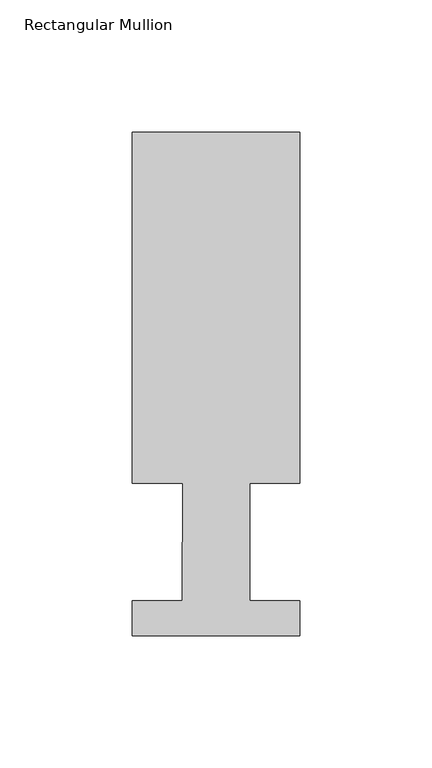
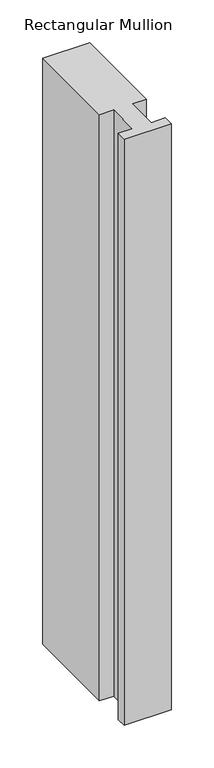
"""IFC4 building model written with IfcOpenShell, lengths in millimetres: member geometry, Rectangular Mullion."""

from ifc_helpers import new_model, si_unit, frame, origin, place, context, project, spatial, polyline, outline, extrude, source, transform, mapped, element, save


def rectangular_mullion_4b1527b0(model_context):
    return source(origin(), model_context, "Body", "SweptSolid", [
        extrude(outline(polyline([(31.75, 190.5896937), (31.75, 57.6460937), (12.7, 57.6460937), (12.7, 13.1960937), (31.75, 13.1960937), (31.75, 0.0134937), (-31.75, 0.0134937), (-31.75, 13.1960937), (-12.715932, 13.1960937), (-12.5676284, 57.6460937), (-31.75, 57.6460937), (-31.75, 190.5896937), (31.75, 190.5896937)])), frame((0.0, 0.0, -838.2), z_axis=(0.0, 0.0, 1.0), x_axis=(1.0, 0.0, 0.0)), (0.0, 0.0, 1.0), 838.2),
    ])


if __name__ == "__main__":
    model = new_model("IFC4")
    model_context = context("Model", 3, world=origin())
    ifc_project = project(units=[si_unit("LENGTHUNIT", "METRE", prefix="MILLI")], contexts=[model_context])
    site = spatial("IfcSite", under=ifc_project)
    building = spatial("IfcBuilding", under=site)
    placement = place(None, origin())
    rectangular_mullion_shape = rectangular_mullion_4b1527b0(model_context)
    element("IfcMember", 1, ObjectType="Rectangular Mullion", at=placement, inside=building, context=model_context, shape_type="MappedRepresentation", body=[
        mapped(rectangular_mullion_shape, transform((0.0, 0.0, 0.0), x_axis=(1.0, 0.0, 0.0), y_axis=(0.0, 1.0, 0.0), z_axis=(0.0, 0.0, 1.0))),
    ])
    save(model, "model.ifc")
